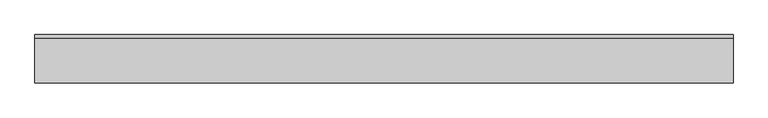
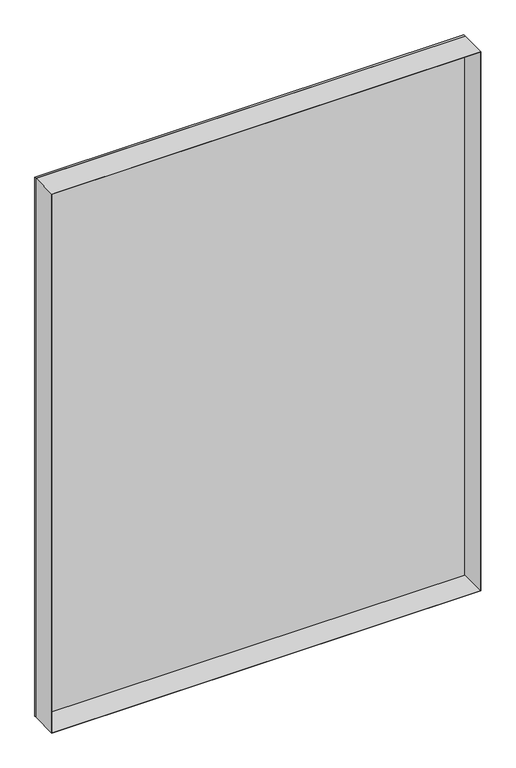
"""IFC4 building model written with IfcOpenShell, lengths in millimetres: plate geometry."""

from ifc_helpers import new_model, si_unit, frame, origin, origin_with_axes, place, context, project, spatial, polyline, outline, extrude, source, transform, mapped, element, save


def plate_dba7a226(model_context):
    return source(origin(), model_context, "Body", "SweptSolid", [
        extrude(outline(polyline([(1432.75, -539.6875001), (0.0, -539.6875001), (0.0, 539.6875001), (1432.75, 539.6875001), (1432.75, -539.6875001)]), holes=[polyline([(1431.75, -538.6875001), (1431.75, 538.6875001), (1.0, 538.6875001), (1.0, -538.6875001), (1431.75, -538.6875001)])]), frame((0.0, -37.2, 0.0), z_axis=(0.0, 1.0, 0.0), x_axis=(0.0, 0.0, 1.0)), (0.0, 0.0, 1.0), 68.4),
        extrude(outline(polyline([(539.6875001, 31.2), (-539.6875001, 31.2), (-539.6875001, 37.2), (539.6875001, 37.2), (539.6875001, 31.2)])), origin_with_axes(), (0.0, 0.0, 1.0), 1432.75),
    ])


if __name__ == "__main__":
    model = new_model("IFC4")
    model_context = context("Model", 3, world=origin())
    ifc_project = project(units=[si_unit("LENGTHUNIT", "METRE", prefix="MILLI")], contexts=[model_context])
    site = spatial("IfcSite", under=ifc_project)
    building = spatial("IfcBuilding", under=site)
    placement = place(None, origin())
    plate_shape = plate_dba7a226(model_context)
    element("IfcPlate", 1, at=placement, inside=building, context=model_context, shape_type="MappedRepresentation", body=[
        mapped(plate_shape, transform((0.0, 0.0, 0.0), x_axis=(1.0, 0.0, 0.0), y_axis=(0.0, 1.0, 0.0), z_axis=(0.0, 0.0, 1.0))),
    ])
    save(model, "model.ifc")
